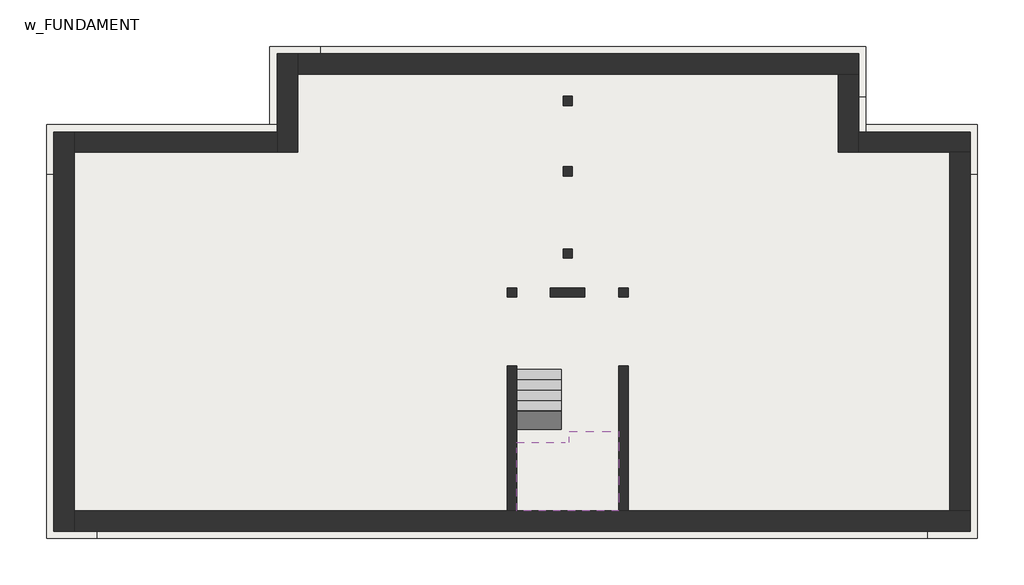
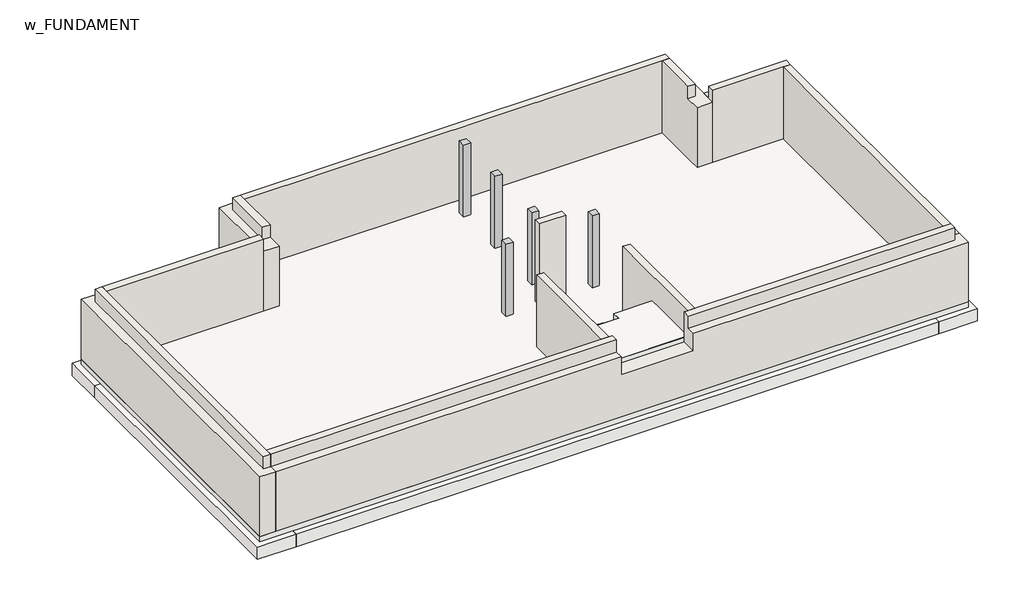
# One storey: 11 footings, 11 walls, 7 slabs, 5 columns, 1 stair flight.
"""IFC4 building model written with IfcOpenShell, lengths in millimetres."""

from ifc_helpers import new_model, si_unit, frame, origin, place, context, project, spatial, polyline, outline, extrude, faceted_brep, element, save

model = new_model("IFC4")

# Units and contexts
model_context = context("Model", 3, world=origin())
ifc_project = project(units=[si_unit("LENGTHUNIT", "METRE", prefix="MILLI")], contexts=[model_context])

# Site, building, storey
site = spatial("IfcSite", under=ifc_project)
building = spatial("IfcBuilding", under=site)
storey = spatial("IfcBuildingStorey", under=building, Name="w_FUNDAMENT", Elevation=-3200.0)

# Columns
placement = place(None, origin())
element("IfcColumn", 1, ObjectType="Concrete-Square-Column : 25x25cm", at=placement, inside=storey, context=model_context, shape_type="SweptSolid", body=[
    extrude(outline(polyline([(1286.8631266, -982.9760521), (1286.8631266, -1232.9760521), (1036.8631266, -1232.9760521), (1036.8631266, -982.9760521), (1286.8631266, -982.9760521)])), frame((0.0, 0.0, -3200.0), z_axis=(0.0, 0.0, 1.0), x_axis=(1.0, 0.0, 0.0)), (0.0, 0.0, 1.0), 2850.0),
])
element("IfcColumn", 2, ObjectType="Concrete-Square-Column : 25x25cm", at=placement, inside=storey, context=model_context, shape_type="SweptSolid", body=[
    extrude(outline(polyline([(4286.8631266, -982.9760521), (4286.8631266, -1232.9760521), (4036.8631266, -1232.9760521), (4036.8631266, -982.9760521), (4286.8631266, -982.9760521)])), frame((0.0, 0.0, -3200.0), z_axis=(0.0, 0.0, 1.0), x_axis=(1.0, 0.0, 0.0)), (0.0, 0.0, 1.0), 2850.0),
])
element("IfcColumn", 3, ObjectType="Concrete-Square-Column : 25x25cm", at=placement, inside=storey, context=model_context, shape_type="SweptSolid", body=[
    extrude(outline(polyline([(2786.8631266, 64.5239479), (2786.8631266, -185.4760521), (2536.8631266, -185.4760521), (2536.8631266, 64.5239479), (2786.8631266, 64.5239479)])), frame((0.0, 0.0, -3200.0), z_axis=(0.0, 0.0, 1.0), x_axis=(1.0, 0.0, 0.0)), (0.0, 0.0, 1.0), 2850.0),
])
element("IfcColumn", 4, ObjectType="Concrete-Square-Column : 25x25cm", at=placement, inside=storey, context=model_context, shape_type="SweptSolid", body=[
    extrude(outline(polyline([(2786.8631266, 2279.5239479), (2786.8631266, 2029.5239479), (2536.8631266, 2029.5239479), (2536.8631266, 2279.5239479), (2786.8631266, 2279.5239479)])), frame((0.0, 0.0, -3200.0), z_axis=(0.0, 0.0, 1.0), x_axis=(1.0, 0.0, 0.0)), (0.0, 0.0, 1.0), 2850.0),
])
element("IfcColumn", 5, ObjectType="Concrete-Square-Column : 25x25cm", at=placement, inside=storey, context=model_context, shape_type="SweptSolid", body=[
    extrude(outline(polyline([(2786.8631266, 4179.5239479), (2786.8631266, 3929.5239479), (2536.8631266, 3929.5239479), (2536.8631266, 4179.5239479), (2786.8631266, 4179.5239479)])), frame((0.0, 0.0, -3200.0), z_axis=(0.0, 0.0, 1.0), x_axis=(1.0, 0.0, 0.0)), (0.0, 0.0, 1.0), 2850.0),
])

# Footings
element("IfcFooting", 6, ObjectType="Bearing Footing - 900 x 300", at=placement, inside=storey, context=model_context, shape_type="SweptSolid", body=[
    extrude(outline(polyline([(1611.8631266, -6382.9760521), (711.8631266, -6382.9760521), (711.8631266, -2932.9760521), (1611.8631266, -2932.9760521), (1611.8631266, -6382.9760521)])), frame((0.0, 0.0, -3500.0), z_axis=(0.0, 0.0, 1.0), x_axis=(1.0, 0.0, 0.0)), (0.0, 0.0, 1.0), 300.0),
])
element("IfcFooting", 7, ObjectType="Bearing Footing - 900 x 300", at=placement, inside=storey, context=model_context, shape_type="SweptSolid", body=[
    extrude(outline(polyline([(4611.8631266, -6382.9760521), (3711.8631266, -6382.9760521), (3711.8631266, -2932.9760521), (4611.8631266, -2932.9760521), (4611.8631266, -6382.9760521)])), frame((0.0, 0.0, -3500.0), z_axis=(0.0, 0.0, 1.0), x_axis=(1.0, 0.0, 0.0)), (0.0, 0.0, 1.0), 300.0),
])
element("IfcFooting", 8, ObjectType="Bearing Footing - 900 x 300", at=placement, inside=storey, context=model_context, shape_type="SweptSolid", body=[
    extrude(outline(polyline([(3264.3631266, -657.9760521), (3264.3631266, -1557.9760521), (2044.3631266, -1557.9760521), (2044.3631266, -657.9760521), (2061.8631266, -657.9760521), (2061.8631266, -660.4760521), (3261.8631266, -660.4760521), (3261.8631266, -657.9760521), (3264.3631266, -657.9760521)])), frame((0.0, 0.0, -3500.0), z_axis=(0.0, 0.0, 1.0), x_axis=(1.0, 0.0, 0.0)), (0.0, 0.0, 1.0), 300.0),
])
element("IfcFooting", 9, ObjectType="Retaining Footing - 600 x 300 x 300", at=placement, inside=storey, context=model_context, shape_type="Brep", body=[
    faceted_brep([(-11363.1368734, 2067.0239479, -3200.0), (-10013.1368734, 2067.0239479, -3200.0), (-4000.6368734, 2067.0239479, -3200.0), (-4000.6368734, 3417.0239479, -3200.0), (-5350.6368734, 3417.0239479, -3200.0), (-11363.1368734, 3417.0239479, -3200.0), (-11363.1368734, 3417.0239479, -3650.0), (-4000.6368734, 3417.0239479, -3650.0), (-5350.6368734, 3417.0239479, -3650.0), (-11363.1368734, 2067.0239479, -3650.0), (-4000.6368734, 2067.0239479, -3650.0), (-10013.1368734, 2067.0239479, -3650.0)], [[[0, 1, 2, 3, 4, 5]], [[6, 5, 4, 3, 7, 8]], [[9, 6, 8, 7, 10, 11]], [[0, 9, 11, 10, 2, 1]], [[0, 5, 6, 9]], [[3, 2, 10, 7]]]),
])
element("IfcFooting", 10, ObjectType="Retaining Footing - 600 x 300 x 300", at=placement, inside=storey, context=model_context, shape_type="Brep", body=[
    faceted_brep([(-11363.1368734, -7732.9760521, -3200.0), (-10013.1368734, -7732.9760521, -3200.0), (-10013.1368734, -6382.9760521, -3200.0), (-10013.1368734, 2067.0239479, -3200.0), (-11363.1368734, 2067.0239479, -3200.0), (-11363.1368734, -7732.9760521, -3650.0), (-11363.1368734, 2067.0239479, -3650.0), (-10013.1368734, -7732.9760521, -3650.0), (-10013.1368734, 2067.0239479, -3650.0), (-10013.1368734, -6382.9760521, -3650.0)], [[[0, 1, 2, 3, 4]], [[5, 0, 4, 6]], [[7, 5, 6, 8, 9]], [[1, 7, 9, 8, 3, 2]], [[4, 3, 8, 6]], [[1, 0, 5, 7]]]),
])
element("IfcFooting", 11, ObjectType="Retaining Footing - 600 x 300 x 300", at=placement, inside=storey, context=model_context, shape_type="Brep", body=[
    faceted_brep([(-4000.6368734, 5517.0239479, -3200.0), (-5350.6368734, 5517.0239479, -3200.0), (-5350.6368734, 3417.0239479, -3200.0), (-4000.6368734, 3417.0239479, -3200.0), (-4000.6368734, 4167.0239479, -3200.0), (-5350.6368734, 5517.0239479, -3650.0), (-5350.6368734, 3417.0239479, -3650.0), (-4000.6368734, 5517.0239479, -3650.0), (-4000.6368734, 4167.0239479, -3650.0), (-4000.6368734, 3417.0239479, -3650.0)], [[[0, 1, 2, 3, 4]], [[1, 5, 6, 2]], [[5, 7, 8, 9, 6]], [[7, 0, 4, 3, 9, 8]], [[3, 2, 6, 9]], [[1, 0, 7, 5]]]),
])
element("IfcFooting", 12, ObjectType="Retaining Footing - 600 x 300 x 300", at=placement, inside=storey, context=model_context, shape_type="Brep", body=[
    faceted_brep([(10686.8631266, 5517.0239479, -3200.0), (-4000.6368734, 5517.0239479, -3200.0), (-4000.6368734, 4167.0239479, -3200.0), (2061.8631266, 4167.0239479, -3200.0), (2061.8631266, 4654.5239479, -3200.0), (3261.8631266, 4654.5239479, -3200.0), (3261.8631266, 4167.0239479, -3200.0), (9336.8631266, 4167.0239479, -3200.0), (10686.8631266, 4167.0239479, -3200.0), (10686.8631266, 5517.0239479, -3650.0), (-4000.6368734, 5517.0239479, -3650.0), (10686.8631266, 4167.0239479, -3650.0), (9336.8631266, 4167.0239479, -3650.0), (-4000.6368734, 4167.0239479, -3650.0), (3261.8631266, 4167.0239479, -3500.0), (2061.8631266, 4167.0239479, -3500.0), (3261.8631266, 4654.5239479, -3500.0), (2061.8631266, 4654.5239479, -3500.0)], [[[0, 1, 2, 3, 4, 5, 6, 7, 8]], [[1, 0, 9, 10]], [[10, 9, 11, 12, 13]], [[13, 12, 11, 8, 7, 6, 14, 15, 3, 2]], [[2, 1, 10, 13]], [[0, 8, 11, 9]], [[16, 17, 15, 14]], [[17, 16, 5, 4]], [[17, 4, 3, 15]], [[5, 16, 14, 6]]]),
])
element("IfcFooting", 13, ObjectType="Retaining Footing - 600 x 300 x 300", at=placement, inside=storey, context=model_context, shape_type="Brep", body=[
    faceted_brep([(9336.8631266, 2067.0239479, -3200.0), (10686.8631266, 2067.0239479, -3200.0), (10686.8631266, 3417.0239479, -3200.0), (10686.8631266, 4167.0239479, -3200.0), (9336.8631266, 4167.0239479, -3200.0), (10686.8631266, 2067.0239479, -3650.0), (10686.8631266, 3417.0239479, -3650.0), (10686.8631266, 4167.0239479, -3650.0), (9336.8631266, 2067.0239479, -3650.0), (9336.8631266, 4167.0239479, -3650.0)], [[[0, 1, 2, 3, 4]], [[1, 5, 6, 7, 3, 2]], [[5, 8, 9, 7, 6]], [[8, 0, 4, 9]], [[4, 3, 7, 9]], [[1, 0, 8, 5]]]),
])
element("IfcFooting", 14, ObjectType="Retaining Footing - 600 x 300 x 300", at=placement, inside=storey, context=model_context, shape_type="Brep", body=[
    faceted_brep([(13686.8631266, 2067.0239479, -3200.0), (13686.8631266, 3417.0239479, -3200.0), (10686.8631266, 3417.0239479, -3200.0), (10686.8631266, 2067.0239479, -3200.0), (12336.8631266, 2067.0239479, -3200.0), (13686.8631266, 3417.0239479, -3650.0), (10686.8631266, 3417.0239479, -3650.0), (13686.8631266, 2067.0239479, -3650.0), (12336.8631266, 2067.0239479, -3650.0), (10686.8631266, 2067.0239479, -3650.0)], [[[0, 1, 2, 3, 4]], [[1, 5, 6, 2]], [[5, 7, 8, 9, 6]], [[7, 0, 4, 3, 9, 8]], [[3, 2, 6, 9]], [[1, 0, 7, 5]]]),
])
element("IfcFooting", 15, ObjectType="Retaining Footing - 600 x 300 x 300", at=placement, inside=storey, context=model_context, shape_type="Brep", body=[
    faceted_brep([(12336.8631266, -7732.9760521, -3200.0), (13686.8631266, -7732.9760521, -3200.0), (13686.8631266, 2067.0239479, -3200.0), (12336.8631266, 2067.0239479, -3200.0), (12336.8631266, -6382.9760521, -3200.0), (13686.8631266, -7732.9760521, -3650.0), (13686.8631266, 2067.0239479, -3650.0), (12336.8631266, -7732.9760521, -3650.0), (12336.8631266, -6382.9760521, -3650.0), (12336.8631266, 2067.0239479, -3650.0)], [[[0, 1, 2, 3, 4]], [[1, 5, 6, 2]], [[5, 7, 8, 9, 6]], [[7, 0, 4, 3, 9, 8]], [[3, 2, 6, 9]], [[1, 0, 7, 5]]]),
])
element("IfcFooting", 16, ObjectType="Retaining Footing - 600 x 300 x 300", at=placement, inside=storey, context=model_context, shape_type="Brep", body=[
    faceted_brep([(-10013.1368734, -6382.9760521, -3200.0), (-10013.1368734, -7732.9760521, -3200.0), (12336.8631266, -7732.9760521, -3200.0), (12336.8631266, -6382.9760521, -3200.0), (4611.8631266, -6382.9760521, -3200.0), (3711.8631266, -6382.9760521, -3200.0), (1611.8631266, -6382.9760521, -3200.0), (711.8631266, -6382.9760521, -3200.0), (-10013.1368734, -7732.9760521, -3650.0), (12336.8631266, -7732.9760521, -3650.0), (-10013.1368734, -6382.9760521, -3650.0), (12336.8631266, -6382.9760521, -3650.0)], [[[0, 1, 2, 3, 4, 5, 6, 7]], [[1, 8, 9, 2]], [[8, 10, 11, 9]], [[10, 0, 7, 6, 5, 4, 3, 11]], [[1, 0, 10, 8]], [[3, 2, 9, 11]]]),
])

# Slabs
element("IfcSlab", 17, ObjectType="150mm Foundation Slab", at=placement, inside=storey, context=model_context, shape_type="Brep", body=[
    faceted_brep([(-11163.1368734, 3217.0239479, -3200.0), (-5150.6368734, 3217.0239479, -3200.0), (-5150.6368734, 5317.0239479, -3200.0), (10486.8631266, 5317.0239479, -3200.0), (10486.8631266, 3217.0239479, -3200.0), (13486.8631266, 3217.0239479, -3200.0), (13486.8631266, -7532.9760521, -3200.0), (-11163.1368734, -7532.9760521, -3200.0), (-11163.1368734, 3217.0239479, -3000.0), (-11163.1368734, -7532.9760521, -3000.0), (-10613.1368734, -7532.9760521, -3000.0), (13486.8631266, -7532.9760521, -3000.0), (13486.8631266, -6982.9760521, -3000.0), (13486.8631266, 2667.0239479, -3000.0), (13486.8631266, 3217.0239479, -3000.0), (10486.8631266, 3217.0239479, -3000.0), (10486.8631266, 4767.0239479, -3000.0), (10486.8631266, 5317.0239479, -3000.0), (-4600.6368734, 5317.0239479, -3000.0), (-5150.6368734, 5317.0239479, -3000.0), (-5150.6368734, 3217.0239479, -3000.0), (-10613.1368734, 3217.0239479, -3000.0)], [[[0, 1, 2, 3, 4, 5, 6, 7]], [[8, 9, 10, 11, 12, 13, 14, 15, 16, 17, 18, 19, 20, 21]], [[1, 0, 8, 21, 20]], [[2, 1, 20, 19]], [[3, 2, 19, 18, 17]], [[4, 3, 17, 16, 15]], [[5, 4, 15, 14]], [[6, 5, 14, 13, 12, 11]], [[7, 6, 11, 10, 9]], [[0, 7, 9, 8]]]),
])
element("IfcSlab", 18, ObjectType="230mm", at=placement, inside=storey, context=model_context, shape_type="SolidModel", body=[
    faceted_brep([(2486.8631266, -5142.9760521, -1285.0), (2486.8631266, -5152.9760521, -1285.0), (1286.8631266, -5152.9760521, -1285.0), (1286.8631266, -5429.3246072, -1285.0), (1286.8631266, -6982.9760521, -1285.0), (4036.8631266, -6982.9760521, -1285.0), (4036.8631266, -5142.9760521, -1285.0), (4036.8631266, -4852.9760521, -1285.0), (2696.8631266, -4852.9760521, -1285.0), (2696.8631266, -5142.9760521, -1285.0), (2696.8631266, -4852.9760521, -1515.0), (2696.8631266, -5142.9760521, -1515.0), (1286.8631266, -5152.9760521, -1500.625), (1286.8631266, -5152.9760521, -1727.8130614), (1286.8631266, -5429.3246072, -1515.0), (1286.8631266, -6982.9760521, -1515.0), (4036.8631266, -6982.9760521, -1515.0), (4036.8631266, -5142.9760521, -1515.0), (4036.8631266, -4852.9760521, -1515.0), (2486.8631266, -5429.3246072, -1515.0), (2486.8631266, -5152.9760521, -1515.0), (2486.8631266, -5142.9760521, -1515.0), (2486.8631266, -5152.9760521, -1500.625), (2486.8631266, -5152.9760521, -1727.8130614)], [[[0, 1, 2, 3, 4, 5, 6, 7, 8, 9]], [[9, 8, 10, 11]], [[2, 12, 13, 14, 15, 4, 3]], [[5, 4, 15, 16]], [[6, 5, 16, 17]], [[7, 6, 17, 18]], [[8, 7, 18, 10]], [[14, 19, 20, 21, 11, 10, 18, 17, 16, 15]], [[1, 0, 21, 20, 22]], [[2, 1, 22, 20, 23, 13, 12]], [[0, 9, 11, 21]], [[19, 14, 13, 23]], [[20, 19, 23]]]),
    extrude(outline(polyline([(2486.8631266, -5142.9760521), (2696.8631266, -5142.9760521), (2696.8631266, -4852.9760521), (4036.8631266, -4852.9760521), (4036.8631266, -5142.9760521), (4036.8631266, -6982.9760521), (1286.8631266, -6982.9760521), (1286.8631266, -5142.9760521), (2486.8631266, -5142.9760521)])), frame((0.0, 0.0, -1285.0), z_axis=(0.0, 0.0, 1.0), x_axis=(1.0, 0.0, 0.0)), (0.0, 0.0, 1.0), 10.0),
])
element("IfcSlab", 19, ObjectType="Footing-Rectangular : 120x120x30", at=placement, inside=storey, context=model_context, shape_type="SweptSolid", body=[
    extrude(outline(polyline([(1761.8631266, -507.9760521), (1761.8631266, -1707.9760521), (561.8631266, -1707.9760521), (561.8631266, -507.9760521), (1761.8631266, -507.9760521)])), frame((0.0, 0.0, -3500.0), z_axis=(0.0, 0.0, 1.0), x_axis=(1.0, 0.0, 0.0)), (0.0, 0.0, 1.0), 300.0),
])
element("IfcSlab", 20, ObjectType="Footing-Rectangular : 120x120x30", at=placement, inside=storey, context=model_context, shape_type="SweptSolid", body=[
    extrude(outline(polyline([(4761.8631266, -507.9760521), (4761.8631266, -1707.9760521), (3561.8631266, -1707.9760521), (3561.8631266, -507.9760521), (4761.8631266, -507.9760521)])), frame((0.0, 0.0, -3500.0), z_axis=(0.0, 0.0, 1.0), x_axis=(1.0, 0.0, 0.0)), (0.0, 0.0, 1.0), 300.0),
])
element("IfcSlab", 21, ObjectType="Footing-Rectangular : 120x120x30", at=placement, inside=storey, context=model_context, shape_type="Brep", body=[
    faceted_brep([(3261.8631266, 539.5239479, -3200.0), (2061.8631266, 539.5239479, -3200.0), (2061.8631266, -657.9760521, -3200.0), (2061.8631266, -660.4760521, -3200.0), (3261.8631266, -660.4760521, -3200.0), (3261.8631266, -657.9760521, -3200.0), (3261.8631266, 539.5239479, -3500.0), (3261.8631266, -657.9760521, -3500.0), (3261.8631266, -660.4760521, -3500.0), (2061.8631266, -660.4760521, -3500.0), (2061.8631266, -657.9760521, -3500.0), (2061.8631266, 539.5239479, -3500.0)], [[[0, 1, 2, 3, 4, 5]], [[6, 7, 8, 9, 10, 11]], [[1, 0, 6, 11]], [[3, 2, 1, 11, 10, 9]], [[4, 3, 9, 8]], [[0, 5, 4, 8, 7, 6]]]),
])
element("IfcSlab", 22, ObjectType="Footing-Rectangular : 120x120x30", at=placement, inside=storey, context=model_context, shape_type="SweptSolid", body=[
    extrude(outline(polyline([(3261.8631266, 2754.5239479), (3261.8631266, 1554.5239479), (2061.8631266, 1554.5239479), (2061.8631266, 2754.5239479), (3261.8631266, 2754.5239479)])), frame((0.0, 0.0, -3500.0), z_axis=(0.0, 0.0, 1.0), x_axis=(1.0, 0.0, 0.0)), (0.0, 0.0, 1.0), 300.0),
])
element("IfcSlab", 23, ObjectType="Footing-Rectangular : 120x120x30", at=placement, inside=storey, context=model_context, shape_type="Brep", body=[
    faceted_brep([(3261.8631266, 4654.5239479, -3200.0), (2061.8631266, 4654.5239479, -3200.0), (2061.8631266, 4167.0239479, -3200.0), (2061.8631266, 3454.5239479, -3200.0), (3261.8631266, 3454.5239479, -3200.0), (3261.8631266, 4167.0239479, -3200.0), (3261.8631266, 4654.5239479, -3500.0), (3261.8631266, 4167.0239479, -3500.0), (3261.8631266, 3454.5239479, -3500.0), (2061.8631266, 3454.5239479, -3500.0), (2061.8631266, 4167.0239479, -3500.0), (2061.8631266, 4654.5239479, -3500.0)], [[[0, 1, 2, 3, 4, 5]], [[6, 7, 8, 9, 10, 11]], [[1, 0, 6, 11]], [[3, 2, 1, 11, 10, 9]], [[4, 3, 9, 8]], [[0, 5, 4, 8, 7, 6]]]),
])

# Stair flight
element("IfcStairFlight", 24, ObjectType="180mm Depth", at=placement, inside=storey, context=model_context, shape_type="SolidModel", body=[
    faceted_brep([(2486.8631266, -3472.9760521, -2794.375), (2486.8631266, -3192.9760521, -2794.375), (1286.8631266, -3192.9760521, -2794.375), (1286.8631266, -3472.9760521, -2794.375), (2486.8631266, -3472.9760521, -3000.0), (2486.8631266, -3192.9760521, -3000.0), (1286.8631266, -3192.9760521, -3000.0), (1286.8631266, -3472.9760521, -3000.0), (2486.8631266, -3752.9760521, -2578.75), (2486.8631266, -3472.9760521, -2578.75), (1286.8631266, -3472.9760521, -2578.75), (1286.8631266, -3752.9760521, -2578.75), (2486.8631266, -3752.9760521, -2805.9380614), (2486.8631266, -3500.9767811, -3000.0), (1286.8631266, -3500.9767811, -3000.0), (1286.8631266, -3752.9760521, -2805.9380614), (2486.8631266, -4032.9760521, -2363.125), (2486.8631266, -3752.9760521, -2363.125), (1286.8631266, -3752.9760521, -2363.125), (1286.8631266, -4032.9760521, -2363.125), (2486.8631266, -4032.9760521, -2590.3130614), (1286.8631266, -4032.9760521, -2590.3130614), (2486.8631266, -4312.9760521, -2147.5), (2486.8631266, -4032.9760521, -2147.5), (1286.8631266, -4032.9760521, -2147.5), (1286.8631266, -4312.9760521, -2147.5), (2486.8631266, -4312.9760521, -2374.6880614), (1286.8631266, -4312.9760521, -2374.6880614), (2486.8631266, -4592.9760521, -1931.875), (2486.8631266, -4312.9760521, -1931.875), (1286.8631266, -4312.9760521, -1931.875), (1286.8631266, -4592.9760521, -1931.875), (2486.8631266, -4592.9760521, -2159.0630614), (1286.8631266, -4592.9760521, -2159.0630614), (2486.8631266, -4872.9760521, -1716.25), (2486.8631266, -4592.9760521, -1716.25), (1286.8631266, -4592.9760521, -1716.25), (1286.8631266, -4872.9760521, -1716.25), (2486.8631266, -4872.9760521, -1943.4380614), (1286.8631266, -4872.9760521, -1943.4380614), (2486.8631266, -4872.9760521, -1500.625), (1286.8631266, -4872.9760521, -1500.625), (1286.8631266, -5142.9760521, -1500.625), (1286.8631266, -5152.9760521, -1500.625), (2486.8631266, -5152.9760521, -1500.625), (2486.8631266, -5142.9760521, -1500.625), (2486.8631266, -5152.9760521, -1515.0), (2486.8631266, -5152.9760521, -1727.8130614), (1286.8631266, -5142.9760521, -1735.5139543), (1286.8631266, -5152.9760521, -1727.8130614)], [[[0, 1, 2, 3]], [[1, 0, 4, 5]], [[2, 1, 5, 6]], [[3, 2, 6, 7]], [[8, 9, 10, 11]], [[4, 0, 9, 8, 12, 13]], [[0, 3, 10, 9]], [[3, 7, 14, 15, 11, 10]], [[16, 17, 18, 19]], [[17, 16, 20, 12, 8]], [[8, 11, 18, 17]], [[19, 18, 11, 15, 21]], [[22, 23, 24, 25]], [[23, 22, 26, 20, 16]], [[16, 19, 24, 23]], [[25, 24, 19, 21, 27]], [[28, 29, 30, 31]], [[29, 28, 32, 26, 22]], [[22, 25, 30, 29]], [[31, 30, 25, 27, 33]], [[34, 35, 36, 37]], [[35, 34, 38, 32, 28]], [[28, 31, 36, 35]], [[37, 36, 31, 33, 39]], [[40, 41, 42, 43, 44, 45]], [[34, 40, 45, 44, 46, 47, 38]], [[34, 37, 41, 40]], [[41, 37, 39, 48, 49, 43, 42]], [[44, 43, 49, 47, 46]], [[5, 4, 13, 14, 7, 6]], [[14, 13, 12, 20, 26, 32, 38, 47, 49, 48, 39, 33, 27, 21, 15]]]),
    extrude(outline(polyline([(1286.8631266, -3192.9760521), (1286.8631266, -3182.9760521), (2486.8631266, -3182.9760521), (2486.8631266, -3192.9760521), (1286.8631266, -3192.9760521)])), frame((0.0, 0.0, -3000.0), z_axis=(0.0, 0.0, 1.0), x_axis=(1.0, 0.0, 0.0)), (0.0, 0.0, 1.0), 205.625),
    extrude(outline(polyline([(2486.8631266, -3462.9760521), (1286.8631266, -3462.9760521), (1286.8631266, -3182.9760521), (2486.8631266, -3182.9760521), (2486.8631266, -3462.9760521)])), frame((0.0, 0.0, -2794.375), z_axis=(0.0, 0.0, 1.0), x_axis=(1.0, 0.0, 0.0)), (0.0, 0.0, 1.0), 10.0),
    extrude(outline(polyline([(1286.8631266, -3472.9760521), (1286.8631266, -3462.9760521), (2486.8631266, -3462.9760521), (2486.8631266, -3472.9760521), (1286.8631266, -3472.9760521)])), frame((0.0, 0.0, -2794.375), z_axis=(0.0, 0.0, 1.0), x_axis=(1.0, 0.0, 0.0)), (0.0, 0.0, 1.0), 215.625),
    extrude(outline(polyline([(2486.8631266, -3742.9760521), (1286.8631266, -3742.9760521), (1286.8631266, -3462.9760521), (2486.8631266, -3462.9760521), (2486.8631266, -3742.9760521)])), frame((0.0, 0.0, -2578.75), z_axis=(0.0, 0.0, 1.0), x_axis=(1.0, 0.0, 0.0)), (0.0, 0.0, 1.0), 10.0),
    extrude(outline(polyline([(1286.8631266, -3752.9760521), (1286.8631266, -3742.9760521), (2486.8631266, -3742.9760521), (2486.8631266, -3752.9760521), (1286.8631266, -3752.9760521)])), frame((0.0, 0.0, -2578.75), z_axis=(0.0, 0.0, 1.0), x_axis=(1.0, 0.0, 0.0)), (0.0, 0.0, 1.0), 215.625),
    extrude(outline(polyline([(2486.8631266, -4022.9760521), (1286.8631266, -4022.9760521), (1286.8631266, -3742.9760521), (2486.8631266, -3742.9760521), (2486.8631266, -4022.9760521)])), frame((0.0, 0.0, -2363.125), z_axis=(0.0, 0.0, 1.0), x_axis=(1.0, 0.0, 0.0)), (0.0, 0.0, 1.0), 10.0),
    extrude(outline(polyline([(1286.8631266, -4032.9760521), (1286.8631266, -4022.9760521), (2486.8631266, -4022.9760521), (2486.8631266, -4032.9760521), (1286.8631266, -4032.9760521)])), frame((0.0, 0.0, -2363.125), z_axis=(0.0, 0.0, 1.0), x_axis=(1.0, 0.0, 0.0)), (0.0, 0.0, 1.0), 215.625),
    extrude(outline(polyline([(2486.8631266, -4302.9760521), (1286.8631266, -4302.9760521), (1286.8631266, -4022.9760521), (2486.8631266, -4022.9760521), (2486.8631266, -4302.9760521)])), frame((0.0, 0.0, -2147.5), z_axis=(0.0, 0.0, 1.0), x_axis=(1.0, 0.0, 0.0)), (0.0, 0.0, 1.0), 10.0),
    extrude(outline(polyline([(1286.8631266, -4312.9760521), (1286.8631266, -4302.9760521), (2486.8631266, -4302.9760521), (2486.8631266, -4312.9760521), (1286.8631266, -4312.9760521)])), frame((0.0, 0.0, -2147.5), z_axis=(0.0, 0.0, 1.0), x_axis=(1.0, 0.0, 0.0)), (0.0, 0.0, 1.0), 215.625),
    extrude(outline(polyline([(2486.8631266, -4582.9760521), (1286.8631266, -4582.9760521), (1286.8631266, -4302.9760521), (2486.8631266, -4302.9760521), (2486.8631266, -4582.9760521)])), frame((0.0, 0.0, -1931.875), z_axis=(0.0, 0.0, 1.0), x_axis=(1.0, 0.0, 0.0)), (0.0, 0.0, 1.0), 10.0),
    extrude(outline(polyline([(1286.8631266, -4592.9760521), (1286.8631266, -4582.9760521), (2486.8631266, -4582.9760521), (2486.8631266, -4592.9760521), (1286.8631266, -4592.9760521)])), frame((0.0, 0.0, -1931.875), z_axis=(0.0, 0.0, 1.0), x_axis=(1.0, 0.0, 0.0)), (0.0, 0.0, 1.0), 215.625),
    extrude(outline(polyline([(2486.8631266, -4862.9760521), (1286.8631266, -4862.9760521), (1286.8631266, -4582.9760521), (2486.8631266, -4582.9760521), (2486.8631266, -4862.9760521)])), frame((0.0, 0.0, -1716.25), z_axis=(0.0, 0.0, 1.0), x_axis=(1.0, 0.0, 0.0)), (0.0, 0.0, 1.0), 10.0),
    extrude(outline(polyline([(1286.8631266, -4872.9760521), (1286.8631266, -4862.9760521), (2486.8631266, -4862.9760521), (2486.8631266, -4872.9760521), (1286.8631266, -4872.9760521)])), frame((0.0, 0.0, -1716.25), z_axis=(0.0, 0.0, 1.0), x_axis=(1.0, 0.0, 0.0)), (0.0, 0.0, 1.0), 215.625),
    extrude(outline(polyline([(1286.8631266, -5152.9760521), (1286.8631266, -5142.9760521), (2486.8631266, -5142.9760521), (2486.8631266, -5152.9760521), (1286.8631266, -5152.9760521)])), frame((0.0, 0.0, -1500.625), z_axis=(0.0, 0.0, 1.0), x_axis=(1.0, 0.0, 0.0)), (0.0, 0.0, 1.0), 215.625),
    extrude(outline(polyline([(2486.8631266, -5142.9760521), (1286.8631266, -5142.9760521), (1286.8631266, -4862.9760521), (2486.8631266, -4862.9760521), (2486.8631266, -5142.9760521)])), frame((0.0, 0.0, -1500.625), z_axis=(0.0, 0.0, 1.0), x_axis=(1.0, 0.0, 0.0)), (0.0, 0.0, 1.0), 10.0),
])

# Walls
element("IfcWall", 25, at=placement, inside=storey, context=model_context, shape_type="Brep", body=[
    faceted_brep([(-10613.1368734, 2917.0239479, -350.0), (-10613.1368734, 2667.0239479, -350.0), (-10613.1368734, -6982.9760521, -350.0), (-10613.1368734, -7232.9760521, -350.0), (-10613.1368734, -7232.9760521, -800.0), (-10613.1368734, -7532.9760521, -800.0), (-10613.1368734, -7532.9760521, -3000.0), (-10613.1368734, -6982.9760521, -3000.0), (-10613.1368734, 2667.0239479, -3000.0), (-10613.1368734, 3217.0239479, -3000.0), (-10613.1368734, 3217.0239479, -800.0), (-10613.1368734, 2917.0239479, -800.0), (-11163.1368734, -7532.9760521, -800.0), (-11163.1368734, 3217.0239479, -800.0), (-11163.1368734, 3217.0239479, -3000.0), (-11163.1368734, -7532.9760521, -3000.0), (-10863.1368734, 2917.0239479, -350.0), (-10863.1368734, -7232.9760521, -350.0), (-10863.1368734, -7232.9760521, -800.0), (-10863.1368734, 2917.0239479, -800.0)], [[[0, 1, 2, 3, 4, 5, 6, 7, 8, 9, 10, 11]], [[12, 13, 14, 15]], [[3, 2, 1, 0, 16, 17]], [[11, 10, 13, 12, 5, 4, 18, 19]], [[13, 10, 9, 14]], [[0, 11, 19, 16]], [[5, 12, 15, 6]], [[4, 3, 17, 18]], [[19, 18, 17, 16]], [[9, 8, 7, 6, 15, 14]]]),
])
element("IfcWall", 26, at=placement, inside=storey, context=model_context, shape_type="Brep", body=[
    faceted_brep([(-5150.6368734, 2667.0239479, -350.0), (-10613.1368734, 2667.0239479, -350.0), (-10613.1368734, 2667.0239479, -3000.0), (-5150.6368734, 2667.0239479, -3000.0), (-5150.6368734, 2667.0239479, -800.0), (-10613.1368734, 3217.0239479, -800.0), (-5150.6368734, 3217.0239479, -800.0), (-5150.6368734, 3217.0239479, -3000.0), (-10613.1368734, 3217.0239479, -3000.0), (-5150.6368734, 2917.0239479, -350.0), (-10613.1368734, 2917.0239479, -350.0), (-5150.6368734, 2917.0239479, -800.0), (-10613.1368734, 2917.0239479, -800.0)], [[[0, 1, 2, 3, 4]], [[5, 6, 7, 8]], [[1, 0, 9, 10]], [[9, 0, 4, 3, 7, 6, 11]], [[1, 10, 12, 5, 8, 2]], [[11, 12, 10, 9]], [[12, 11, 6, 5]], [[3, 2, 8, 7]]]),
])
element("IfcWall", 27, at=placement, inside=storey, context=model_context, shape_type="Brep", body=[
    faceted_brep([(13186.8631266, -6982.9760521, -800.0), (13486.8631266, -6982.9760521, -800.0), (13486.8631266, -6982.9760521, -3000.0), (12936.8631266, -6982.9760521, -3000.0), (-10613.1368734, -6982.9760521, -3000.0), (-10613.1368734, -6982.9760521, -350.0), (1036.8631266, -6982.9760521, -350.0), (1286.8631266, -6982.9760521, -350.0), (1416.8631266, -6982.9760521, -350.0), (1416.8631266, -6982.9760521, -1455.0), (3916.8631266, -6982.9760521, -1455.0), (3916.8631266, -6982.9760521, -350.0), (4036.8631266, -6982.9760521, -350.0), (4286.8631266, -6982.9760521, -350.0), (12936.8631266, -6982.9760521, -350.0), (13186.8631266, -6982.9760521, -350.0), (13486.8631266, -7532.9760521, -800.0), (3916.8631266, -7532.9760521, -800.0), (3916.8631266, -7532.9760521, -1455.0), (1416.8631266, -7532.9760521, -1455.0), (1416.8631266, -7532.9760521, -800.0), (-10613.1368734, -7532.9760521, -800.0), (-10613.1368734, -7532.9760521, -3000.0), (13486.8631266, -7532.9760521, -3000.0), (13186.8631266, -7232.9760521, -350.0), (3916.8631266, -7232.9760521, -350.0), (-10613.1368734, -7232.9760521, -350.0), (1416.8631266, -7232.9760521, -350.0), (13186.8631266, -7232.9760521, -800.0), (3916.8631266, -7232.9760521, -800.0), (-10613.1368734, -7232.9760521, -800.0), (1416.8631266, -7232.9760521, -800.0)], [[[0, 1, 2, 3, 4, 5, 6, 7, 8, 9, 10, 11, 12, 13, 14, 15]], [[16, 17, 18, 19, 20, 21, 22, 23]], [[24, 15, 14, 13, 12, 11, 25]], [[5, 26, 27, 8, 7, 6]], [[1, 0, 28, 29, 17, 16]], [[30, 21, 20, 31]], [[1, 16, 23, 2]], [[0, 15, 24, 28]], [[26, 5, 4, 22, 21, 30]], [[27, 26, 30, 31]], [[28, 24, 25, 29]], [[18, 10, 9, 19]], [[10, 18, 17, 29, 25, 11]], [[19, 9, 8, 27, 31, 20]], [[4, 3, 2, 23, 22]]]),
])
element("IfcWall", 28, at=placement, inside=storey, context=model_context, shape_type="Brep", body=[
    faceted_brep([(-4600.6368734, 5017.0239479, -350.0), (-4600.6368734, 4767.0239479, -350.0), (-4600.6368734, 3217.0239479, -350.0), (-4600.6368734, 3217.0239479, -800.0), (-4600.6368734, 2667.0239479, -800.0), (-4600.6368734, 2667.0239479, -3000.0), (-4600.6368734, 4767.0239479, -3000.0), (-4600.6368734, 5317.0239479, -3000.0), (-4600.6368734, 5317.0239479, -800.0), (-4600.6368734, 5017.0239479, -800.0), (-5150.6368734, 2667.0239479, -800.0), (-5150.6368734, 2917.0239479, -800.0), (-5150.6368734, 3217.0239479, -800.0), (-5150.6368734, 5317.0239479, -800.0), (-5150.6368734, 5317.0239479, -3000.0), (-5150.6368734, 3217.0239479, -3000.0), (-5150.6368734, 2667.0239479, -3000.0), (-4863.1368734, 5017.0239479, -350.0), (-4863.1368734, 3217.0239479, -350.0), (-4863.1368734, 3217.0239479, -800.0), (-4863.1368734, 5017.0239479, -800.0)], [[[0, 1, 2, 3, 4, 5, 6, 7, 8, 9]], [[10, 11, 12, 13, 14, 15, 16]], [[2, 1, 0, 17, 18]], [[4, 3, 19, 20, 9, 8, 13, 12, 11, 10]], [[4, 10, 16, 5]], [[3, 2, 18, 19]], [[13, 8, 7, 14]], [[0, 9, 20, 17]], [[20, 19, 18, 17]], [[7, 6, 5, 16, 15, 14]]]),
])
element("IfcWall", 29, at=placement, inside=storey, context=model_context, shape_type="Brep", body=[
    faceted_brep([(10186.8631266, 4767.0239479, -350.0), (9936.8631266, 4767.0239479, -350.0), (-4600.6368734, 4767.0239479, -350.0), (-4600.6368734, 4767.0239479, -3000.0), (9936.8631266, 4767.0239479, -3000.0), (10486.8631266, 4767.0239479, -3000.0), (10486.8631266, 4767.0239479, -800.0), (10186.8631266, 4767.0239479, -800.0), (-4600.6368734, 5317.0239479, -800.0), (10486.8631266, 5317.0239479, -800.0), (10486.8631266, 5317.0239479, -3000.0), (-4600.6368734, 5317.0239479, -3000.0), (10186.8631266, 5017.0239479, -350.0), (-4600.6368734, 5017.0239479, -350.0), (-4600.6368734, 5017.0239479, -800.0), (10186.8631266, 5017.0239479, -800.0)], [[[0, 1, 2, 3, 4, 5, 6, 7]], [[8, 9, 10, 11]], [[2, 1, 0, 12, 13]], [[2, 13, 14, 8, 11, 3]], [[7, 6, 9, 8, 14, 15]], [[9, 6, 5, 10]], [[0, 7, 15, 12]], [[15, 14, 13, 12]], [[5, 4, 3, 11, 10]]]),
])
element("IfcWall", 30, at=placement, inside=storey, context=model_context, shape_type="Brep", body=[
    faceted_brep([(9936.8631266, 3217.0239479, -350.0), (9936.8631266, 4767.0239479, -350.0), (9936.8631266, 4767.0239479, -3000.0), (9936.8631266, 2667.0239479, -3000.0), (9936.8631266, 2667.0239479, -800.0), (9936.8631266, 3217.0239479, -800.0), (10486.8631266, 4767.0239479, -800.0), (10486.8631266, 3217.0239479, -800.0), (10486.8631266, 2917.0239479, -800.0), (10486.8631266, 2667.0239479, -800.0), (10486.8631266, 2667.0239479, -3000.0), (10486.8631266, 3217.0239479, -3000.0), (10486.8631266, 4767.0239479, -3000.0), (10186.8631266, 3217.0239479, -350.0), (10186.8631266, 4767.0239479, -350.0), (10186.8631266, 4767.0239479, -800.0), (10186.8631266, 3217.0239479, -800.0)], [[[0, 1, 2, 3, 4, 5]], [[6, 7, 8, 9, 10, 11, 12]], [[1, 0, 13, 14]], [[1, 14, 15, 6, 12, 2]], [[5, 4, 9, 8, 7, 6, 15, 16]], [[9, 4, 3, 10]], [[0, 5, 16, 13]], [[16, 15, 14, 13]], [[3, 2, 12, 11, 10]]]),
])
element("IfcWall", 31, at=placement, inside=storey, context=model_context, shape_type="Brep", body=[
    faceted_brep([(13186.8631266, 2667.0239479, -350.0), (12936.8631266, 2667.0239479, -350.0), (10486.8631266, 2667.0239479, -350.0), (10486.8631266, 2667.0239479, -800.0), (10486.8631266, 2667.0239479, -3000.0), (12936.8631266, 2667.0239479, -3000.0), (13486.8631266, 2667.0239479, -3000.0), (13486.8631266, 2667.0239479, -800.0), (13186.8631266, 2667.0239479, -800.0), (10486.8631266, 3217.0239479, -800.0), (13486.8631266, 3217.0239479, -800.0), (13486.8631266, 3217.0239479, -3000.0), (10486.8631266, 3217.0239479, -3000.0), (13186.8631266, 2917.0239479, -350.0), (10486.8631266, 2917.0239479, -350.0), (10486.8631266, 2917.0239479, -800.0), (13186.8631266, 2917.0239479, -800.0)], [[[0, 1, 2, 3, 4, 5, 6, 7, 8]], [[9, 10, 11, 12]], [[2, 1, 0, 13, 14]], [[2, 14, 15, 9, 12, 4, 3]], [[8, 7, 10, 9, 15, 16]], [[10, 7, 6, 11]], [[0, 8, 16, 13]], [[16, 15, 14, 13]], [[6, 5, 4, 12, 11]]]),
])
element("IfcWall", 32, at=placement, inside=storey, context=model_context, shape_type="SweptSolid", body=[
    extrude(outline(polyline([(-350.0, 13186.8631266), (-350.0, 12936.8631266), (-3000.0, 12936.8631266), (-3000.0, 13486.8631266), (-800.0, 13486.8631266), (-800.0, 13186.8631266), (-350.0, 13186.8631266)])), frame((0.0, -6982.9760521, 0.0), z_axis=(0.0, 1.0, 0.0), x_axis=(0.0, 0.0, 1.0)), (0.0, 0.0, 1.0), 9650.0),
])
element("IfcWall", 33, at=placement, inside=storey, context=model_context, shape_type="SweptSolid", body=[
    extrude(outline(polyline([(1286.8631266, -3082.9760521), (1286.8631266, -6982.9760521), (1036.8631266, -6982.9760521), (1036.8631266, -3082.9760521), (1286.8631266, -3082.9760521)])), frame((0.0, 0.0, -3200.0), z_axis=(0.0, 0.0, 1.0), x_axis=(1.0, 0.0, 0.0)), (0.0, 0.0, 1.0), 2850.0),
])
element("IfcWall", 34, at=placement, inside=storey, context=model_context, shape_type="SweptSolid", body=[
    extrude(outline(polyline([(4286.8631266, -3082.9760521), (4286.8631266, -6982.9760521), (4036.8631266, -6982.9760521), (4036.8631266, -3082.9760521), (4286.8631266, -3082.9760521)])), frame((0.0, 0.0, -3200.0), z_axis=(0.0, 0.0, 1.0), x_axis=(1.0, 0.0, 0.0)), (0.0, 0.0, 1.0), 2850.0),
])
element("IfcWall", 35, at=placement, inside=storey, context=model_context, shape_type="SweptSolid", body=[
    extrude(outline(polyline([(2194.3631266, -982.9760521), (3114.3631266, -982.9760521), (3114.3631266, -1232.9760521), (2194.3631266, -1232.9760521), (2194.3631266, -982.9760521)])), frame((0.0, 0.0, -3200.0), z_axis=(0.0, 0.0, 1.0), x_axis=(1.0, 0.0, 0.0)), (0.0, 0.0, 1.0), 3200.0),
])

save(model, "model.ifc")
